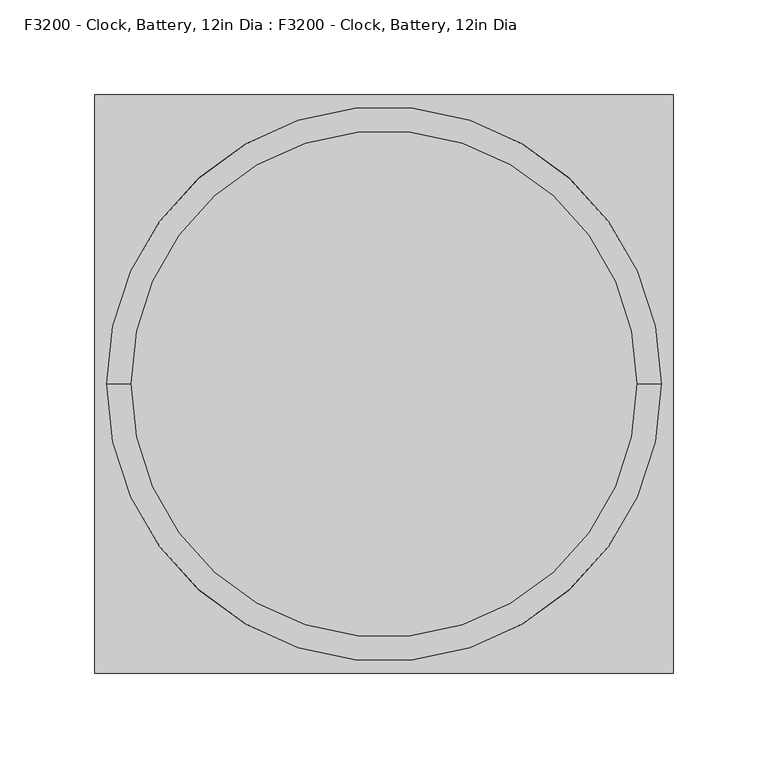
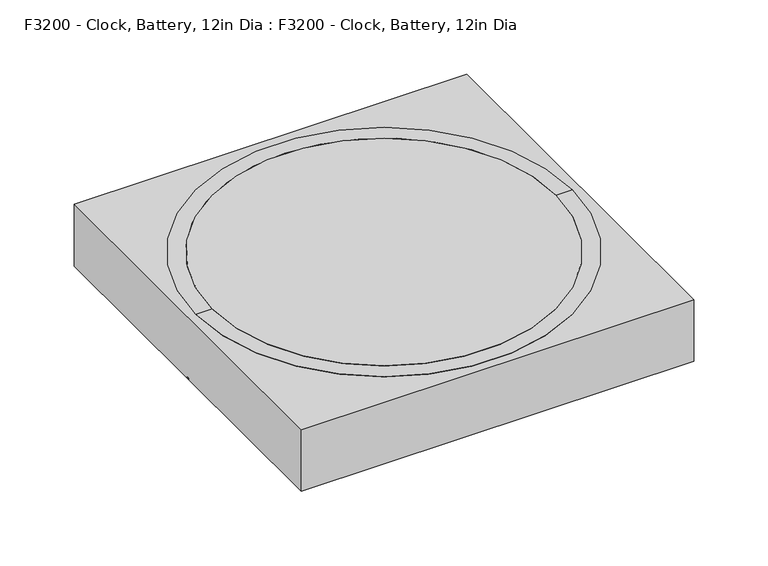
"""IFC4 building model written with IfcOpenShell, lengths in millimetres: proxy geometry, F3200 - Clock, Battery, 12in Dia : F3200 - Clock, Battery, 12in Dia."""

from ifc_helpers import new_model, si_unit, point, frame, frame_2d, origin, origin_with_axes, place, context, project, spatial, polyline, circle_curve, trimmed, segment, composite_curve, outline, extrude, source, transform, mapped, element, save
from ifc_brep_helpers import plane_surface, revolved_surface, advanced_brep


def f3200_clock_battery_12in_dia_f3200_clock_battery_12in_dia_9ad0a7d1(model_context):
    return source(origin(), model_context, "Body", "SolidModel", [
        extrude(outline(composite_curve([segment(trimmed(circle_curve(frame_2d((0.0, -152.4)), 133.35), [point((-133.35, -152.4))], [point((133.35, -152.4))], False, "CARTESIAN"), True, "CONTINUOUS"), segment(trimmed(circle_curve(frame_2d((0.0, -152.4)), 133.35), [point((133.35, -152.4))], [point((-133.35, -152.4))], False, "CARTESIAN"), True, "CONTINUOUS")], self_intersect=False)), frame((0.0, 0.0, 44.45), z_axis=(0.0, 0.0, 1.0), x_axis=(1.0, 0.0, 0.0)), (0.0, 0.0, 1.0), 6.35),
        advanced_brep(
        [(0.0, -152.4, 0.0), (-152.4, -152.4, 0.0), (152.4, -152.4, 0.0), (-133.35, -152.4, 44.45), (0.0, -152.4, 44.45), (133.35, -152.4, 44.45), (-133.35, -152.4, 50.8), (133.35, -152.4, 50.8), (-146.05, -152.4, 50.8), (146.05, -152.4, 50.8)],
        [
            (0, 1),
            (1, 2, circle_curve(frame((0.0, -152.4, 0.0), z_axis=(0.0, 0.0, -1.0), x_axis=(1.0, 0.0, 0.0)), 152.4)),
            (2, 0),
            (2, 1, circle_curve(frame((0.0, -152.4, 0.0), z_axis=(0.0, 0.0, -1.0), x_axis=(1.0, 0.0, 0.0)), 152.4)),
            (3, 4),
            (4, 5),
            (5, 3, circle_curve(frame((0.0, -152.4, 44.45), z_axis=(0.0, 0.0, 1.0), x_axis=(1.0, 0.0, 0.0)), 133.35)),
            (3, 5, circle_curve(frame((0.0, -152.4, 44.45), z_axis=(0.0, 0.0, 1.0), x_axis=(1.0, 0.0, 0.0)), 133.35)),
            (6, 3),
            (5, 7),
            (7, 6, circle_curve(frame((0.0, -152.4, 50.8), z_axis=(0.0, 0.0, 1.0), x_axis=(1.0, 0.0, 0.0)), 133.35)),
            (6, 7, circle_curve(frame((0.0, -152.4, 50.8), z_axis=(0.0, 0.0, 1.0), x_axis=(1.0, 0.0, 0.0)), 133.35)),
            (8, 6),
            (7, 9),
            (9, 8, circle_curve(frame((0.0, -152.4, 50.8), z_axis=(0.0, 0.0, 1.0), x_axis=(1.0, 0.0, 0.0)), 146.05)),
            (8, 9, circle_curve(frame((0.0, -152.4, 50.8), z_axis=(0.0, 0.0, 1.0), x_axis=(1.0, 0.0, 0.0)), 146.05)),
            (1, 8),
            (9, 2),
        ],
        [
            plane_surface(frame((0.0, -152.4, 0.0), z_axis=(0.0, 0.0, -1.0), x_axis=(1.0, 0.0, 0.0))),
            plane_surface(frame((0.0, -152.4, 44.45), z_axis=(0.0, 0.0, 1.0), x_axis=(1.0, 0.0, 0.0))),
            revolved_surface(polyline([(133.35, -152.4, 44.45), (133.35, -152.4, 50.8)]), (0.0, -152.4, 0.0), (0.0, 0.0, -1.0)),
            plane_surface(frame((0.0, -152.4, 50.8), z_axis=(0.0, 0.0, 1.0), x_axis=(1.0, 0.0, 0.0))),
            revolved_surface(polyline([(146.05, -152.4, 50.8), (152.4, -152.4, 0.0)]), (0.0, -152.4, 0.0), (0.0, 0.0, -1.0)),
        ],
        [
            (0, [[1, 2, 3]]),
            (0, [[-3, 4, -1]]),
            (1, [[5, 6, 7]]),
            (1, [[-6, -5, 8]]),
            (2, [[9, -7, 10, 11]]),
            (2, [[-10, -8, -9, 12]]),
            (3, [[13, -11, 14, 15]]),
            (3, [[-14, -12, -13, 16]]),
            (4, [[17, -15, 18, -2]]),
            (4, [[-18, -16, -17, -4]]),
        ],
    ),
        extrude(outline(polyline([(152.4, -304.8), (-152.4, -304.8), (-152.4, 0.0), (152.4, 0.0), (152.4, -304.8)])), origin_with_axes(), (0.0, 0.0, 1.0), 50.8),
    ])


if __name__ == "__main__":
    model = new_model("IFC4")
    model_context = context("Model", 3, world=origin())
    ifc_project = project(units=[si_unit("LENGTHUNIT", "METRE", prefix="MILLI")], contexts=[model_context])
    site = spatial("IfcSite", under=ifc_project)
    building = spatial("IfcBuilding", under=site)
    placement = place(None, origin())
    f3200_clock_battery_12in_dia_f3200_clock_battery_12in_dia_shape = f3200_clock_battery_12in_dia_f3200_clock_battery_12in_dia_9ad0a7d1(model_context)
    element("IfcBuildingElementProxy", 1, Name="F3200 - Clock, Battery, 12in Dia : F3200 - Clock, Battery, 12in Dia", ObjectType="F3200 - Clock, Battery, 12in Dia : F3200 - Clock, Battery, 12in Dia", at=placement, inside=building, context=model_context, shape_type="MappedRepresentation", body=[
        mapped(f3200_clock_battery_12in_dia_f3200_clock_battery_12in_dia_shape, transform((0.0, 0.0, 0.0), x_axis=(1.0, 0.0, 0.0), y_axis=(0.0, 1.0, 0.0), z_axis=(0.0, 0.0, 1.0))),
    ])
    save(model, "model.ifc")
